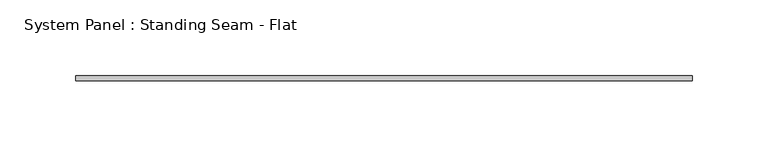
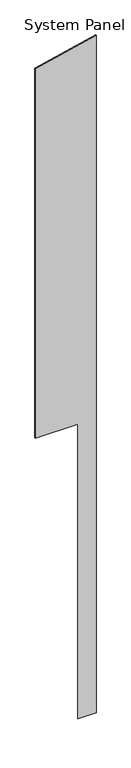
"""IFC4 building model written with IfcOpenShell, lengths in millimetres: plate geometry, System Panel : Standing Seam - Flat."""

from ifc_helpers import new_model, si_unit, frame, origin, place, context, project, spatial, polyline, outline, extrude, source, transform, mapped, element, save


def system_panel_standing_seam_flat_ba59ed00(model_context):
    return source(origin(), model_context, "Body", "SweptSolid", [
        extrude(outline(polyline([(0.0, 81.8740059), (0.0, 203.2), (4786.9085118, 203.2), (4693.5257669, -203.2), (2082.8, -203.2), (2082.8, 81.8740059), (0.0, 81.8740059)])), frame((0.0, -1.5875, 0.0), z_axis=(0.0, 1.0, 0.0), x_axis=(0.0, 0.0, 1.0)), (0.0, 0.0, 1.0), 3.175),
    ])


if __name__ == "__main__":
    model = new_model("IFC4")
    model_context = context("Model", 3, world=origin())
    ifc_project = project(units=[si_unit("LENGTHUNIT", "METRE", prefix="MILLI")], contexts=[model_context])
    site = spatial("IfcSite", under=ifc_project)
    building = spatial("IfcBuilding", under=site)
    placement = place(None, origin())
    system_panel_standing_seam_flat_shape = system_panel_standing_seam_flat_ba59ed00(model_context)
    element("IfcPlate", 1, ObjectType="System Panel : Standing Seam - Flat", at=placement, inside=building, context=model_context, shape_type="MappedRepresentation", body=[
        mapped(system_panel_standing_seam_flat_shape, transform((0.0, 0.0, 0.0), x_axis=(1.0, 0.0, 0.0), y_axis=(0.0, 1.0, 0.0), z_axis=(0.0, 0.0, 1.0))),
    ])
    save(model, "model.ifc")
